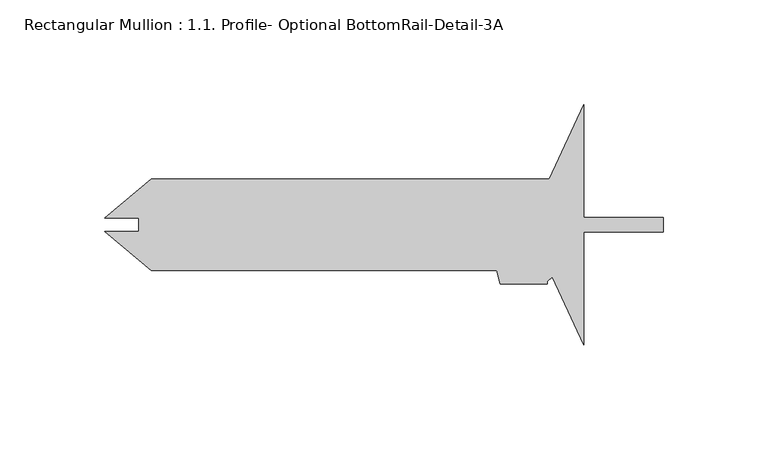
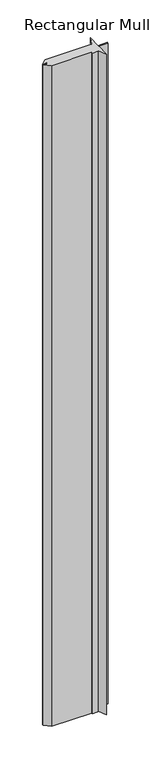
"""IFC4 building model written with IfcOpenShell, lengths in millimetres: member geometry, Rectangular Mullion : 1.1. Profile- Optional BottomRail-Detail-3A."""

from ifc_helpers import new_model, si_unit, frame, origin, place, context, project, spatial, polyline, outline, extrude, source, transform, mapped, element, save


def rectangular_mullion_1_1_profile_optional_bottomrail_detail_3f412dbd(model_context):
    return source(origin(), model_context, "Body", "SweptSolid", [
        extrude(outline(polyline([(-54.5137839, 21.8948), (-38.1000436, 57.5645349), (-38.1000436, 3.3655), (0.0, 3.3655), (0.0, -3.3655), (-38.1000436, -3.3655), (-38.1000436, -57.5645349), (-53.100878, -24.9652749), (-55.5625436, -27.1623725), (-55.5625436, -28.2448), (-78.0418662, -28.2448), (-79.7433436, -21.8948), (-244.7928004, -21.8948), (-267.117608, -3.1620621), (-250.8390136, -3.1620621), (-250.8390136, 3.1620621), (-267.117608, 3.1620621), (-244.7928004, 21.8948), (-54.5137839, 21.8948)])), frame((0.0, 0.0, -2869.2139998), z_axis=(0.0, 0.0, 1.0), x_axis=(1.0, 0.0, 0.0)), (0.0, 0.0, 1.0), 2869.2139998),
    ])


if __name__ == "__main__":
    model = new_model("IFC4")
    model_context = context("Model", 3, world=origin())
    ifc_project = project(units=[si_unit("LENGTHUNIT", "METRE", prefix="MILLI")], contexts=[model_context])
    site = spatial("IfcSite", under=ifc_project)
    building = spatial("IfcBuilding", under=site)
    placement = place(None, origin())
    rectangular_mullion_1_1_profile_optional_bottomrail_detail_shape = rectangular_mullion_1_1_profile_optional_bottomrail_detail_3f412dbd(model_context)
    element("IfcMember", 1, ObjectType="Rectangular Mullion : 1.1. Profile- Optional BottomRail-Detail-3A", at=placement, inside=building, context=model_context, shape_type="MappedRepresentation", body=[
        mapped(rectangular_mullion_1_1_profile_optional_bottomrail_detail_shape, transform((0.0, 0.0, 0.0), x_axis=(1.0, 0.0, 0.0), y_axis=(0.0, 1.0, 0.0), z_axis=(0.0, 0.0, 1.0))),
    ])
    save(model, "model.ifc")
